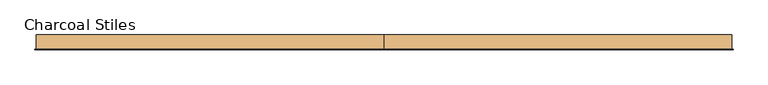
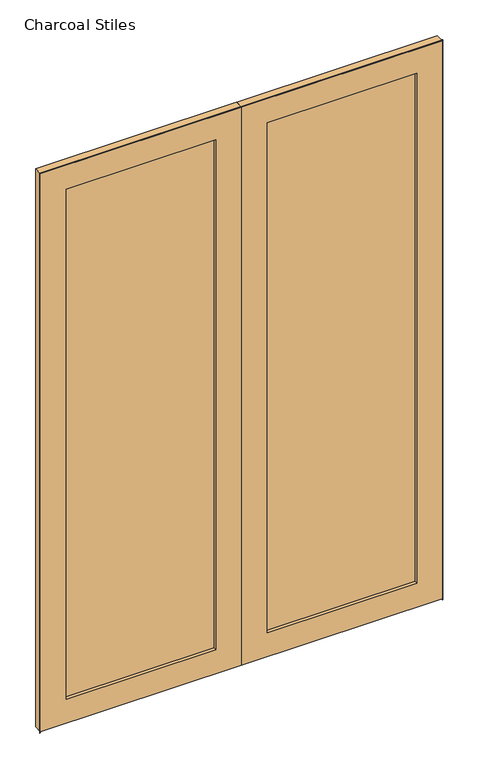
"""IFC4 building model written with IfcOpenShell, lengths in millimetres: door geometry, Charcoal Stiles."""

import ifcopenshell
import ifcopenshell.guid

model = None  # the IFC model being written
_history = None  # IfcOwnerHistory: only IFC2X3 demands one
_inside = {}  # id of a spatial element -> (the spatial element, [elements in it])
_under = {}  # id of a project, library or spatial element -> (it, [spatial elements below it])
_declared = {}  # id of a project -> (the project, [libraries it declares])
_typed = {}  # id of a type object -> (the type object, [elements of that type])
_made_of = {}  # id of a material, layer set ... -> (it, [elements and type objects made of it])


def new_model(schema):
    """Start an empty IFC model of exactly this schema.

    Asked for "IFC4X3", IfcOpenShell would pick the latest addendum, in which some entities
    have other attributes; the version numbers below select the first issue.
    IFC2X3 requires an IfcOwnerHistory on every rooted entity: one is made here for all.
    """
    global model, _history
    if schema == "IFC4X3":
        model = ifcopenshell.file(schema_version=(4, 3, 0, 0))
    else:
        model = ifcopenshell.file(schema=schema)
    _inside.clear()
    _under.clear()
    _declared.clear()
    _typed.clear()
    _made_of.clear()
    _history = None
    if model.schema == "IFC2X3":
        org = make("IfcOrganization", Name="unknown")
        user = make(
            "IfcPersonAndOrganization",
            ThePerson=make("IfcPerson", FamilyName="unknown"),
            TheOrganization=org,
        )
        app = make(
            "IfcApplication",
            ApplicationDeveloper=org,
            Version="unknown",
            ApplicationFullName="unknown",
            ApplicationIdentifier="unknown",
        )
        _history = make(
            "IfcOwnerHistory",
            OwningUser=user,
            OwningApplication=app,
            ChangeAction="ADDED",
            CreationDate=0,
        )
    return model


def make(cls, **values):
    """One entity of the class cls with the attributes given. An attribute that is None is left unset."""
    return model.create_entity(
        cls, **{name: value for name, value in values.items() if value is not None}
    )


def rooted(cls, **values):
    """An entity with a GlobalId (a new one), such as an element, a storey or a relation."""
    return make(cls, GlobalId=ifcopenshell.guid.new(), OwnerHistory=_history, **values)


def si_unit(unit_type, name, prefix=None):
    """IfcSIUnit, for example si_unit("LENGTHUNIT", "METRE", prefix="MILLI")."""
    return make("IfcSIUnit", UnitType=unit_type, Prefix=prefix, Name=name)


def assignment(units):
    """IfcUnitAssignment: the units of a project."""
    return None if units is None else make("IfcUnitAssignment", Units=units)


def point(xyz):
    """IfcCartesianPoint."""
    return None if xyz is None else make("IfcCartesianPoint", Coordinates=xyz)


def direction(xyz):
    """IfcDirection."""
    return None if xyz is None else make("IfcDirection", DirectionRatios=xyz)


def frame(location, z_axis=None, x_axis=None):
    """IfcAxis2Placement3D, a coordinate frame: its origin and axes. An axis left out is left unset."""
    return make(
        "IfcAxis2Placement3D",
        Location=point(location),
        Axis=direction(z_axis),
        RefDirection=direction(x_axis),
    )


def origin():
    """The frame at (0, 0, 0) with its axes left unset."""
    return frame((0.0, 0.0, 0.0))


def place(relative_to, where):
    """IfcLocalPlacement: puts the frame where relative to a parent placement (None: the world)."""
    return make(
        "IfcLocalPlacement", PlacementRelTo=relative_to, RelativePlacement=where
    )


def context(
    kind, dimensions, precision=None, world=None, true_north=None, identifier=None
):
    """IfcGeometricRepresentationContext, for example the 3D "Model" context."""
    return make(
        "IfcGeometricRepresentationContext",
        ContextIdentifier=identifier,
        ContextType=kind,
        CoordinateSpaceDimension=dimensions,
        Precision=precision,
        WorldCoordinateSystem=world,
        TrueNorth=true_north,
    )


def project(units=None, contexts=None):
    """IfcProject with its units and contexts."""
    return rooted(
        "IfcProject",
        Name="project",
        RepresentationContexts=contexts,
        UnitsInContext=assignment(units),
    )


def spatial(cls, under=None, at=None, **own):
    """A site, building, storey or space (cls), placed at a placement, below another one or the project."""
    s = rooted(cls, ObjectPlacement=at, **own)
    if under is not None:
        _under.setdefault(under.id(), (under, []))[1].append(s)
    return s


def polyline(points):
    """IfcPolyline through the points."""
    return make("IfcPolyline", Points=[point(p) for p in points])


def outline(outer, holes=None, kind="AREA"):
    """IfcArbitraryClosedProfileDef: a profile drawn as a closed curve; with holes, ...WithVoids."""
    if holes is None:
        return make("IfcArbitraryClosedProfileDef", ProfileType=kind, OuterCurve=outer)
    return make(
        "IfcArbitraryProfileDefWithVoids",
        ProfileType=kind,
        OuterCurve=outer,
        InnerCurves=holes,
    )


def extrude(swept, where, along, depth):
    """IfcExtrudedAreaSolid: the profile swept, set in the frame where, extruded along a direction by depth."""
    return make(
        "IfcExtrudedAreaSolid",
        SweptArea=swept,
        Position=where,
        ExtrudedDirection=direction(along),
        Depth=depth,
    )


def shape(context_of_items, identifier, shape_type, items):
    """IfcShapeRepresentation: the items that make up one representation, for example the "Body"."""
    return make(
        "IfcShapeRepresentation",
        ContextOfItems=context_of_items,
        RepresentationIdentifier=identifier,
        RepresentationType=shape_type,
        Items=items,
    )


def source(mapping_origin, context_of_items, identifier, shape_type, items):
    """IfcRepresentationMap: a shape defined once, which mapped items show again and again."""
    return make(
        "IfcRepresentationMap",
        MappingOrigin=mapping_origin,
        MappedRepresentation=shape(context_of_items, identifier, shape_type, items),
    )


def transform(
    local_origin,
    x_axis=None,
    y_axis=None,
    z_axis=None,
    scale=None,
    scale2=None,
    scale3=None,
    uniform=True,
):
    """IfcCartesianTransformationOperator3D, or its non-uniform kind. x_axis, y_axis, z_axis: its Axis1, 2, 3."""
    if uniform:
        return make(
            "IfcCartesianTransformationOperator3D",
            Axis1=direction(x_axis),
            Axis2=direction(y_axis),
            LocalOrigin=point(local_origin),
            Scale=scale,
            Axis3=direction(z_axis),
        )
    return make(
        "IfcCartesianTransformationOperator3DnonUniform",
        Axis1=direction(x_axis),
        Axis2=direction(y_axis),
        LocalOrigin=point(local_origin),
        Scale=scale,
        Axis3=direction(z_axis),
        Scale2=scale2,
        Scale3=scale3,
    )


def mapped(mapping_source, mapping_target):
    """IfcMappedItem: shows the shape of a source again, moved by a transform."""
    return make(
        "IfcMappedItem", MappingSource=mapping_source, MappingTarget=mapping_target
    )


def made_of(thing, what):
    """Note that an element or type object is made of a material, layer set ...; save() writes the relation."""
    if what is not None:
        _made_of.setdefault(what.id(), (what, []))[1].append(thing)
    return thing


def element(
    cls,
    number,
    at=None,
    inside=None,
    cuts=None,
    type_object=None,
    material=None,
    context=None,
    identifier="Body",
    shape_type=None,
    held_by="IfcProductDefinitionShape",
    body=None,
    shapes=None,
    **own,
):
    """One element of the class cls, such as IfcWall. Its Tag is "e" and its number.

    at: its placement. inside: the storey or other place that contains it. cuts: it is an
    opening in that element (IfcRelVoidsElement). A single representation is given by context,
    identifier, shape_type and body (its items); several are given by shapes. held_by: the class
    of the entity that holds the representations. save() writes the other relations.
    """
    e = rooted(cls, Tag="e%d" % number, ObjectPlacement=at, **own)
    if body is not None:
        shapes = [shape(context, identifier, shape_type, body)]
    if shapes is not None:
        e.Representation = make(held_by, Representations=shapes)
    if inside is not None:
        _inside.setdefault(inside.id(), (inside, []))[1].append(e)
    if cuts is not None:
        rooted(
            "IfcRelVoidsElement", RelatingBuildingElement=cuts, RelatedOpeningElement=e
        )
    if type_object is not None:
        _typed.setdefault(type_object.id(), (type_object, []))[1].append(e)
    return made_of(e, material)


def aggregate(whole, parts):
    """IfcRelAggregates: a whole, such as a stair, and the parts it consists of."""
    return rooted("IfcRelAggregates", RelatingObject=whole, RelatedObjects=parts)


def save(model, path):
    """Write the relations noted so far, then the file.

    IfcRelAggregates (storeys below a building ...), IfcRelContainedInSpatialStructure (elements
    in a storey), IfcRelDefinesByType, IfcRelAssociatesMaterial and IfcRelDeclares: one each for
    every whole, place, type object, material and project.
    """
    for whole, parts in _under.values():
        aggregate(whole, parts)
    for where, things in _inside.values():
        rooted(
            "IfcRelContainedInSpatialStructure",
            RelatedElements=things,
            RelatingStructure=where,
        )
    for kind, things in _typed.values():
        rooted("IfcRelDefinesByType", RelatedObjects=things, RelatingType=kind)
    for what, things in _made_of.values():
        rooted("IfcRelAssociatesMaterial", RelatedObjects=things, RelatingMaterial=what)
    for by, libraries in _declared.values():
        rooted("IfcRelDeclares", RelatingContext=by, RelatedDefinitions=libraries)
    model.write(path)


def charcoal_stiles_d84ee1c8(model_context):
    return source(origin(), model_context, "Body", "SweptSolid", [
        extrude(outline(polyline([(-120.5, 24.5), (-120.5, 14.5), (-822.0, 14.5), (-822.0, 24.5), (-120.5, 24.5)])), frame((0.0, 0.0, 125.0), z_axis=(0.0, 0.0, 1.0), x_axis=(1.0, 0.0, 0.0)), (0.0, 0.0, 1.0), 2527.0),
        extrude(outline(polyline([(5.0, -942.0), (5.0, -0.5), (2772.0, -0.5), (2772.0, -942.0), (5.0, -942.0)]), holes=[polyline([(2652.0, -822.0), (2652.0, -120.5), (125.0, -120.5), (125.0, -822.0), (2652.0, -822.0)])]), frame((0.0, -0.5, 0.0), z_axis=(0.0, 1.0, 0.0), x_axis=(0.0, 0.0, 1.0)), (0.0, 0.0, 1.0), 40.0),
        extrude(outline(polyline([(120.5, 24.5), (822.0, 24.5), (822.0, 14.5), (120.5, 14.5), (120.5, 24.5)])), frame((0.0, 0.0, 125.0), z_axis=(0.0, 0.0, 1.0), x_axis=(1.0, 0.0, 0.0)), (0.0, 0.0, 1.0), 2527.0),
        extrude(outline(polyline([(5.0, 942.0), (2772.0, 942.0), (2772.0, 0.5), (5.0, 0.5), (5.0, 942.0)]), holes=[polyline([(2652.0, 822.0), (125.0, 822.0), (125.0, 120.5), (2652.0, 120.5), (2652.0, 822.0)])]), frame((0.0, -0.5, 0.0), z_axis=(0.0, 1.0, 0.0), x_axis=(0.0, 0.0, 1.0)), (0.0, 0.0, 1.0), 40.0),
        extrude(outline(polyline([(0.0, -943.0), (2773.0, -943.0), (2773.0, 943.0), (0.0, 943.0), (0.0, 945.0), (2775.0, 945.0), (2775.0, -945.0), (0.0, -945.0), (0.0, -943.0)])), frame((0.0, -0.5, 0.0), z_axis=(0.0, 1.0, 0.0), x_axis=(0.0, 0.0, 1.0)), (0.0, 0.0, 1.0), 1.0),
    ])


if __name__ == "__main__":
    model = new_model("IFC4")
    model_context = context("Model", 3, world=origin())
    ifc_project = project(units=[si_unit("LENGTHUNIT", "METRE", prefix="MILLI")], contexts=[model_context])
    site = spatial("IfcSite", under=ifc_project)
    building = spatial("IfcBuilding", under=site)
    placement = place(None, origin())
    charcoal_stiles_shape = charcoal_stiles_d84ee1c8(model_context)
    element("IfcDoor", 1, ObjectType="Charcoal Stiles", at=placement, inside=building, context=model_context, shape_type="MappedRepresentation", body=[
        mapped(charcoal_stiles_shape, transform((0.0, 0.0, 0.0), x_axis=(1.0, 0.0, 0.0), y_axis=(0.0, 1.0, 0.0), z_axis=(0.0, 0.0, 1.0))),
    ])
    save(model, "model.ifc")
